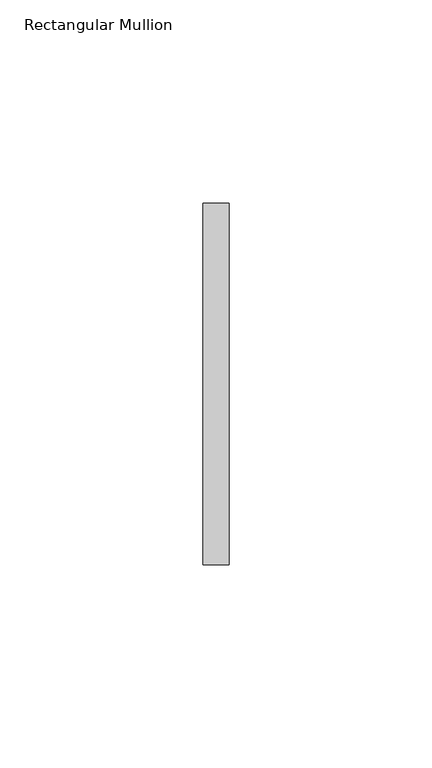
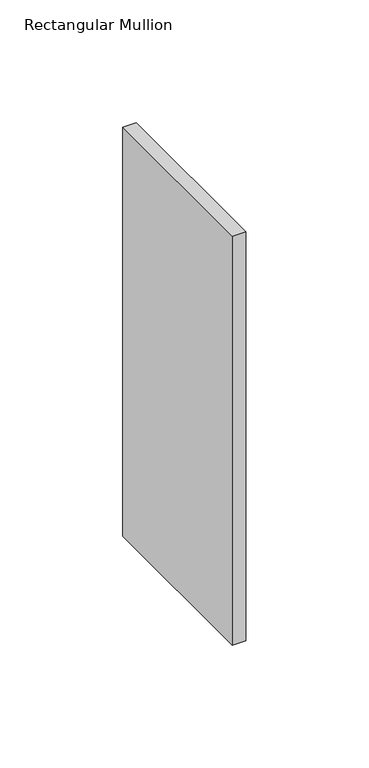
"""IFC4 building model written with IfcOpenShell, lengths in millimetres: member geometry, Rectangular Mullion."""

from ifc_helpers import new_model, si_unit, frame, origin, place, context, project, spatial, polyline, outline, extrude, source, transform, mapped, element, save


def rectangular_mullion_f8d472fa(model_context):
    return source(origin(), model_context, "Body", "SweptSolid", [
        extrude(outline(polyline([(0.0, 44.45), (0.0, -44.45), (-6.35, -44.45), (-6.35, 44.45), (0.0, 44.45)])), frame((0.0, 0.0, -203.090376), z_axis=(0.0, 0.0, 1.0), x_axis=(1.0, 0.0, 0.0)), (0.0, 0.0, 1.0), 203.090376),
    ])


if __name__ == "__main__":
    model = new_model("IFC4")
    model_context = context("Model", 3, world=origin())
    ifc_project = project(units=[si_unit("LENGTHUNIT", "METRE", prefix="MILLI")], contexts=[model_context])
    site = spatial("IfcSite", under=ifc_project)
    building = spatial("IfcBuilding", under=site)
    placement = place(None, origin())
    rectangular_mullion_shape = rectangular_mullion_f8d472fa(model_context)
    element("IfcMember", 1, ObjectType="Rectangular Mullion", at=placement, inside=building, context=model_context, shape_type="MappedRepresentation", body=[
        mapped(rectangular_mullion_shape, transform((0.0, 0.0, 0.0), x_axis=(1.0, 0.0, 0.0), y_axis=(0.0, 1.0, 0.0), z_axis=(0.0, 0.0, 1.0))),
    ])
    save(model, "model.ifc")
